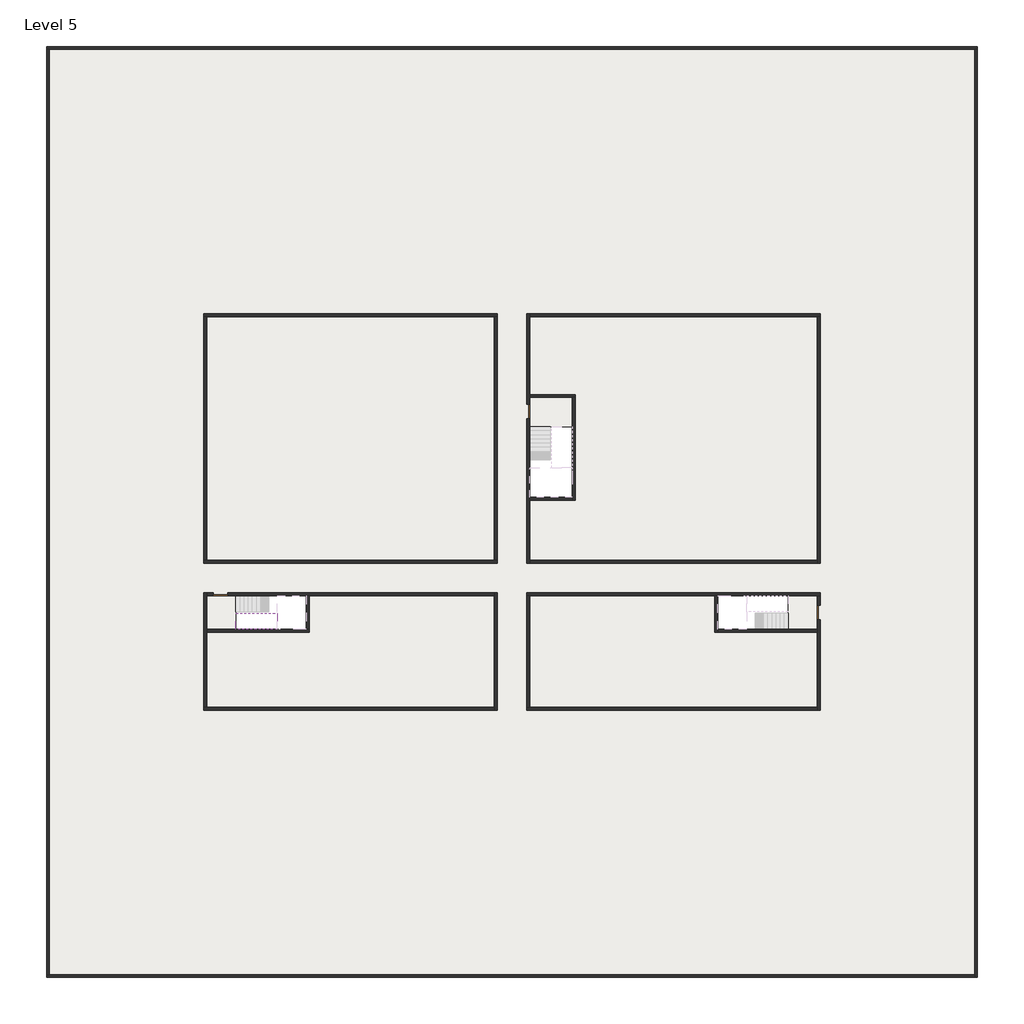
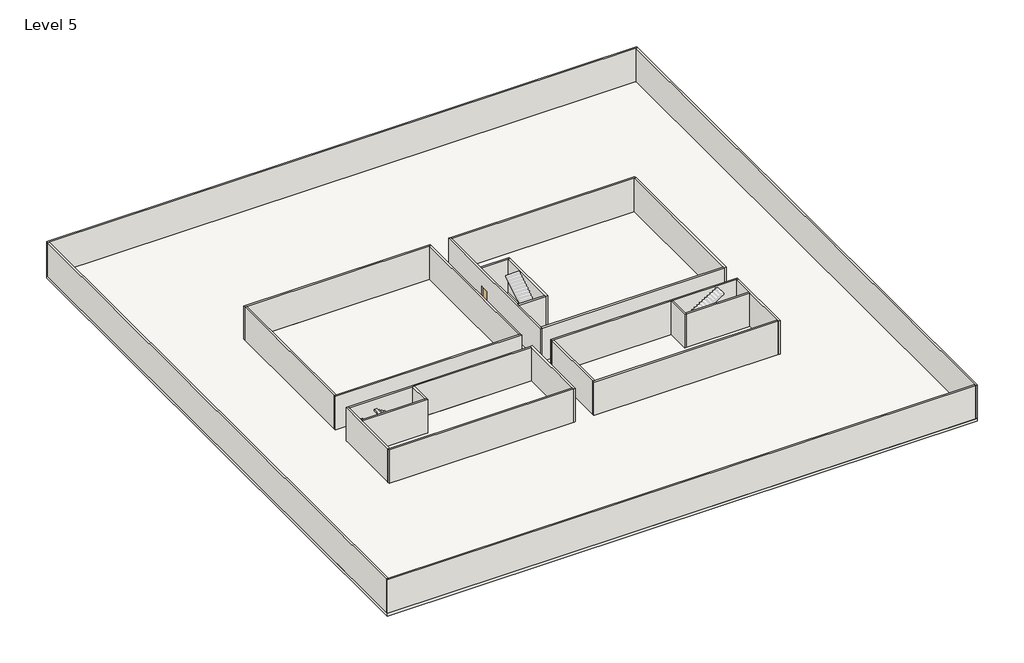
# One storey, part 1 of 2: 27 walls, 3 doors, 3 slabs, 1 stair flight.
"""IFC4 building model written with IfcOpenShell, lengths in millimetres."""

import ifcopenshell
import ifcopenshell.guid

model = None  # the IFC model being written
_history = None  # IfcOwnerHistory: only IFC2X3 demands one
_inside = {}  # id of a spatial element -> (the spatial element, [elements in it])
_under = {}  # id of a project, library or spatial element -> (it, [spatial elements below it])
_declared = {}  # id of a project -> (the project, [libraries it declares])
_typed = {}  # id of a type object -> (the type object, [elements of that type])
_made_of = {}  # id of a material, layer set ... -> (it, [elements and type objects made of it])


def new_model(schema):
    """Start an empty IFC model of exactly this schema.

    Asked for "IFC4X3", IfcOpenShell would pick the latest addendum, in which some entities
    have other attributes; the version numbers below select the first issue.
    IFC2X3 requires an IfcOwnerHistory on every rooted entity: one is made here for all.
    """
    global model, _history
    if schema == "IFC4X3":
        model = ifcopenshell.file(schema_version=(4, 3, 0, 0))
    else:
        model = ifcopenshell.file(schema=schema)
    _inside.clear()
    _under.clear()
    _declared.clear()
    _typed.clear()
    _made_of.clear()
    _history = None
    if model.schema == "IFC2X3":
        org = make("IfcOrganization", Name="unknown")
        user = make(
            "IfcPersonAndOrganization",
            ThePerson=make("IfcPerson", FamilyName="unknown"),
            TheOrganization=org,
        )
        app = make(
            "IfcApplication",
            ApplicationDeveloper=org,
            Version="unknown",
            ApplicationFullName="unknown",
            ApplicationIdentifier="unknown",
        )
        _history = make(
            "IfcOwnerHistory",
            OwningUser=user,
            OwningApplication=app,
            ChangeAction="ADDED",
            CreationDate=0,
        )
    return model


def make(cls, **values):
    """One entity of the class cls with the attributes given. An attribute that is None is left unset."""
    return model.create_entity(
        cls, **{name: value for name, value in values.items() if value is not None}
    )


def rooted(cls, **values):
    """An entity with a GlobalId (a new one), such as an element, a storey or a relation."""
    return make(cls, GlobalId=ifcopenshell.guid.new(), OwnerHistory=_history, **values)


def si_unit(unit_type, name, prefix=None):
    """IfcSIUnit, for example si_unit("LENGTHUNIT", "METRE", prefix="MILLI")."""
    return make("IfcSIUnit", UnitType=unit_type, Prefix=prefix, Name=name)


def assignment(units):
    """IfcUnitAssignment: the units of a project."""
    return None if units is None else make("IfcUnitAssignment", Units=units)


def point(xyz):
    """IfcCartesianPoint."""
    return None if xyz is None else make("IfcCartesianPoint", Coordinates=xyz)


def direction(xyz):
    """IfcDirection."""
    return None if xyz is None else make("IfcDirection", DirectionRatios=xyz)


def frame(location, z_axis=None, x_axis=None):
    """IfcAxis2Placement3D, a coordinate frame: its origin and axes. An axis left out is left unset."""
    return make(
        "IfcAxis2Placement3D",
        Location=point(location),
        Axis=direction(z_axis),
        RefDirection=direction(x_axis),
    )


def origin():
    """The frame at (0, 0, 0) with its axes left unset."""
    return frame((0.0, 0.0, 0.0))


def origin_with_axes():
    """The frame at (0, 0, 0) with the z axis (0, 0, 1) and the x axis (1, 0, 0) written out."""
    return frame((0.0, 0.0, 0.0), z_axis=(0.0, 0.0, 1.0), x_axis=(1.0, 0.0, 0.0))


def place(relative_to, where):
    """IfcLocalPlacement: puts the frame where relative to a parent placement (None: the world)."""
    return make(
        "IfcLocalPlacement", PlacementRelTo=relative_to, RelativePlacement=where
    )


def context(
    kind, dimensions, precision=None, world=None, true_north=None, identifier=None
):
    """IfcGeometricRepresentationContext, for example the 3D "Model" context."""
    return make(
        "IfcGeometricRepresentationContext",
        ContextIdentifier=identifier,
        ContextType=kind,
        CoordinateSpaceDimension=dimensions,
        Precision=precision,
        WorldCoordinateSystem=world,
        TrueNorth=true_north,
    )


def project(units=None, contexts=None):
    """IfcProject with its units and contexts."""
    return rooted(
        "IfcProject",
        Name="project",
        RepresentationContexts=contexts,
        UnitsInContext=assignment(units),
    )


def spatial(cls, under=None, at=None, **own):
    """A site, building, storey or space (cls), placed at a placement, below another one or the project."""
    s = rooted(cls, ObjectPlacement=at, **own)
    if under is not None:
        _under.setdefault(under.id(), (under, []))[1].append(s)
    return s


def polyline(points):
    """IfcPolyline through the points."""
    return make("IfcPolyline", Points=[point(p) for p in points])


def outline(outer, holes=None, kind="AREA"):
    """IfcArbitraryClosedProfileDef: a profile drawn as a closed curve; with holes, ...WithVoids."""
    if holes is None:
        return make("IfcArbitraryClosedProfileDef", ProfileType=kind, OuterCurve=outer)
    return make(
        "IfcArbitraryProfileDefWithVoids",
        ProfileType=kind,
        OuterCurve=outer,
        InnerCurves=holes,
    )


def extrude(swept, where, along, depth):
    """IfcExtrudedAreaSolid: the profile swept, set in the frame where, extruded along a direction by depth."""
    return make(
        "IfcExtrudedAreaSolid",
        SweptArea=swept,
        Position=where,
        ExtrudedDirection=direction(along),
        Depth=depth,
    )


def faces_of(points, faces, orient=None, outer=None):
    """IfcFace entities. A face is a list of loops; a loop is a list of indices into points, from 0.

    orient and outer hold one flag for each loop. By default every Orientation is true, the
    first loop of a face is its IfcFaceOuterBound and the others are IfcFaceBound.
    """
    made = []
    for i, loops in enumerate(faces):
        bounds = []
        for j, loop in enumerate(loops):
            is_outer = j == 0 if outer is None else outer[i][j]
            bounds.append(
                make(
                    "IfcFaceOuterBound" if is_outer else "IfcFaceBound",
                    Bound=make("IfcPolyLoop", Polygon=[points[k] for k in loop]),
                    Orientation=True if orient is None else orient[i][j],
                )
            )
        made.append(make("IfcFace", Bounds=bounds))
    return made


def faceted_brep(points, faces, orient=None, outer=None, voids=None):
    """IfcFacetedBrep: a solid bounded by flat faces; with voids (closed shells), ...WithVoids."""
    shared = [point(p) for p in points]
    hull = make("IfcClosedShell", CfsFaces=faces_of(shared, faces, orient, outer))
    if voids is None:
        return make("IfcFacetedBrep", Outer=hull)
    return make(
        "IfcFacetedBrepWithVoids",
        Outer=hull,
        Voids=[
            make(cls, CfsFaces=faces_of(shared, fs, o, b)) for cls, fs, o, b in voids
        ],
    )


def shape(context_of_items, identifier, shape_type, items):
    """IfcShapeRepresentation: the items that make up one representation, for example the "Body"."""
    return make(
        "IfcShapeRepresentation",
        ContextOfItems=context_of_items,
        RepresentationIdentifier=identifier,
        RepresentationType=shape_type,
        Items=items,
    )


def source(mapping_origin, context_of_items, identifier, shape_type, items):
    """IfcRepresentationMap: a shape defined once, which mapped items show again and again."""
    return make(
        "IfcRepresentationMap",
        MappingOrigin=mapping_origin,
        MappedRepresentation=shape(context_of_items, identifier, shape_type, items),
    )


def transform(
    local_origin,
    x_axis=None,
    y_axis=None,
    z_axis=None,
    scale=None,
    scale2=None,
    scale3=None,
    uniform=True,
):
    """IfcCartesianTransformationOperator3D, or its non-uniform kind. x_axis, y_axis, z_axis: its Axis1, 2, 3."""
    if uniform:
        return make(
            "IfcCartesianTransformationOperator3D",
            Axis1=direction(x_axis),
            Axis2=direction(y_axis),
            LocalOrigin=point(local_origin),
            Scale=scale,
            Axis3=direction(z_axis),
        )
    return make(
        "IfcCartesianTransformationOperator3DnonUniform",
        Axis1=direction(x_axis),
        Axis2=direction(y_axis),
        LocalOrigin=point(local_origin),
        Scale=scale,
        Axis3=direction(z_axis),
        Scale2=scale2,
        Scale3=scale3,
    )


def mapped(mapping_source, mapping_target):
    """IfcMappedItem: shows the shape of a source again, moved by a transform."""
    return make(
        "IfcMappedItem", MappingSource=mapping_source, MappingTarget=mapping_target
    )


def made_of(thing, what):
    """Note that an element or type object is made of a material, layer set ...; save() writes the relation."""
    if what is not None:
        _made_of.setdefault(what.id(), (what, []))[1].append(thing)
    return thing


def element(
    cls,
    number,
    at=None,
    inside=None,
    cuts=None,
    type_object=None,
    material=None,
    context=None,
    identifier="Body",
    shape_type=None,
    held_by="IfcProductDefinitionShape",
    body=None,
    shapes=None,
    **own,
):
    """One element of the class cls, such as IfcWall. Its Tag is "e" and its number.

    at: its placement. inside: the storey or other place that contains it. cuts: it is an
    opening in that element (IfcRelVoidsElement). A single representation is given by context,
    identifier, shape_type and body (its items); several are given by shapes. held_by: the class
    of the entity that holds the representations. save() writes the other relations.
    """
    e = rooted(cls, Tag="e%d" % number, ObjectPlacement=at, **own)
    if body is not None:
        shapes = [shape(context, identifier, shape_type, body)]
    if shapes is not None:
        e.Representation = make(held_by, Representations=shapes)
    if inside is not None:
        _inside.setdefault(inside.id(), (inside, []))[1].append(e)
    if cuts is not None:
        rooted(
            "IfcRelVoidsElement", RelatingBuildingElement=cuts, RelatedOpeningElement=e
        )
    if type_object is not None:
        _typed.setdefault(type_object.id(), (type_object, []))[1].append(e)
    return made_of(e, material)


def aggregate(whole, parts):
    """IfcRelAggregates: a whole, such as a stair, and the parts it consists of."""
    return rooted("IfcRelAggregates", RelatingObject=whole, RelatedObjects=parts)


def save(model, path):
    """Write the relations noted so far, then the file.

    IfcRelAggregates (storeys below a building ...), IfcRelContainedInSpatialStructure (elements
    in a storey), IfcRelDefinesByType, IfcRelAssociatesMaterial and IfcRelDeclares: one each for
    every whole, place, type object, material and project.
    """
    for whole, parts in _under.values():
        aggregate(whole, parts)
    for where, things in _inside.values():
        rooted(
            "IfcRelContainedInSpatialStructure",
            RelatedElements=things,
            RelatingStructure=where,
        )
    for kind, things in _typed.values():
        rooted("IfcRelDefinesByType", RelatedObjects=things, RelatingType=kind)
    for what, things in _made_of.values():
        rooted("IfcRelAssociatesMaterial", RelatedObjects=things, RelatingMaterial=what)
    for by, libraries in _declared.values():
        rooted("IfcRelDeclares", RelatingContext=by, RelatedDefinitions=libraries)
    model.write(path)


def door_fb3c37fd(model_context):
    return source(origin(), model_context, "Body", "SweptSolid", [
        extrude(outline(polyline([(500.0, 49.0), (-500.0, 49.0), (-500.0, 100.0), (500.0, 100.0), (500.0, 49.0)])), origin_with_axes(), (0.0, 0.0, 1.0), 2100.0),
    ])


def door_0317a72c(model_context):
    return source(origin(), model_context, "Body", "SweptSolid", [
        extrude(outline(polyline([(500.0, -49.0), (500.0, -100.0), (-500.0, -100.0), (-500.0, -49.0), (500.0, -49.0)])), origin_with_axes(), (0.0, 0.0, 1.0), 2100.0),
    ])


model = new_model("IFC4")

# Units and contexts
model_context = context("Model", 3, world=origin())
ifc_project = project(units=[si_unit("LENGTHUNIT", "METRE", prefix="MILLI")], contexts=[model_context])

# Site, building, storey
site = spatial("IfcSite", under=ifc_project)
building = spatial("IfcBuilding", under=site)
storey = spatial("IfcBuildingStorey", under=building, Name="Level 5", Elevation=15200.0)

# Doors
placement = place(None, origin())
door_shape = door_fb3c37fd(model_context)
element("IfcDoor", 1, at=placement, inside=storey, context=model_context, shape_type="MappedRepresentation", body=[
    mapped(door_shape, transform((4340.1058784, -42818.09644, 15200.0), x_axis=(-1.0, 0.0, 0.0), y_axis=(0.0, -1.0, 0.0), z_axis=(0.0, 0.0, 1.0))),
])
element("IfcDoor", 2, at=placement, inside=storey, context=model_context, shape_type="MappedRepresentation", body=[
    mapped(door_shape, transform((45090.1058784, -44068.09644, 15200.0), x_axis=(0.0, 1.0, 0.0), y_axis=(-1.0, 0.0, 0.0), z_axis=(0.0, 0.0, 1.0))),
])
door_2_shape = door_0317a72c(model_context)
element("IfcDoor", 3, at=placement, inside=storey, context=model_context, shape_type="MappedRepresentation", body=[
    mapped(door_2_shape, transform((25290.1058784, -30368.09644, 15200.0), x_axis=(0.0, 1.0, 0.0), y_axis=(-1.0, 0.0, 0.0), z_axis=(0.0, 0.0, 1.0))),
])

# Slabs
element("IfcSlab", 4, at=placement, inside=storey, context=model_context, shape_type="SweptSolid", body=[
    extrude(outline(polyline([(55890.1058784, -5518.09644), (55890.1058784, -68918.09644), (-7509.8941216, -68918.09644), (-7509.8941216, -5518.09644), (55890.1058784, -5518.09644)]), holes=[polyline([(22990.1058784, -23918.09644), (3390.1058784, -23918.09644), (3390.1058784, -40518.09644), (22990.1058784, -40518.09644), (22990.1058784, -23918.09644)]), polyline([(44990.1058784, -23918.09644), (25390.1058784, -23918.09644), (25390.1058784, -40518.09644), (44990.1058784, -40518.09644), (44990.1058784, -23918.09644)]), polyline([(44990.1058784, -42918.09644), (25390.1058784, -42918.09644), (25390.1058784, -50518.09644), (44990.1058784, -50518.09644), (44990.1058784, -42918.09644)]), polyline([(22990.1058784, -42918.09644), (3390.1058784, -42918.09644), (3390.1058784, -50518.09644), (22990.1058784, -50518.09644), (22990.1058784, -42918.09644)])]), frame((0.0, 0.0, 14900.0), z_axis=(0.0, 0.0, 1.0), x_axis=(1.0, 0.0, 0.0)), (0.0, 0.0, 1.0), 300.0),
])
element("IfcSlab", 5, at=placement, inside=storey, context=model_context, shape_type="SweptSolid", body=[
    extrude(outline(polyline([(22990.1058784, -23918.09644), (22990.1058784, -40518.09644), (3390.1058784, -40518.09644), (3390.1058784, -23918.09644), (22990.1058784, -23918.09644)])), frame((0.0, 0.0, 14900.0), z_axis=(0.0, 0.0, 1.0), x_axis=(1.0, 0.0, 0.0)), (0.0, 0.0, 1.0), 300.0),
    extrude(outline(polyline([(44990.1058784, -23918.09644), (44990.1058784, -40518.09644), (25390.1058784, -40518.09644), (25390.1058784, -36418.09644), (28490.1058784, -36418.09644), (28490.1058784, -29218.09644), (25390.1058784, -29218.09644), (25390.1058784, -23918.09644), (44990.1058784, -23918.09644)])), frame((0.0, 0.0, 14900.0), z_axis=(0.0, 0.0, 1.0), x_axis=(1.0, 0.0, 0.0)), (0.0, 0.0, 1.0), 300.0),
    extrude(outline(polyline([(22990.1058784, -42918.09644), (22990.1058784, -50518.09644), (3390.1058784, -50518.09644), (3390.1058784, -45418.09644), (10390.1058784, -45418.09644), (10390.1058784, -42918.09644), (22990.1058784, -42918.09644)])), frame((0.0, 0.0, 14900.0), z_axis=(0.0, 0.0, 1.0), x_axis=(1.0, 0.0, 0.0)), (0.0, 0.0, 1.0), 300.0),
    extrude(outline(polyline([(37990.1058784, -42918.09644), (37990.1058784, -45418.09644), (44990.1058784, -45418.09644), (44990.1058784, -50518.09644), (25390.1058784, -50518.09644), (25390.1058784, -42918.09644), (37990.1058784, -42918.09644)])), frame((0.0, 0.0, 14900.0), z_axis=(0.0, 0.0, 1.0), x_axis=(1.0, 0.0, 0.0)), (0.0, 0.0, 1.0), 300.0),
])
element("IfcSlab", 6, at=placement, inside=storey, context=model_context, shape_type="SweptSolid", body=[
    extrude(outline(polyline([(44990.1058784, -42918.09644), (44990.1058784, -45218.09644), (42990.1058784, -45218.09644), (42990.1058784, -42918.09644), (44990.1058784, -42918.09644)])), frame((0.0, 0.0, 14900.0), z_axis=(0.0, 0.0, 1.0), x_axis=(1.0, 0.0, 0.0)), (0.0, 0.0, 1.0), 300.0),
    extrude(outline(polyline([(5390.1058784, -42918.09644), (5390.1058784, -45218.09644), (3390.1058784, -45218.09644), (3390.1058784, -42918.09644), (5390.1058784, -42918.09644)])), frame((0.0, 0.0, 14900.0), z_axis=(0.0, 0.0, 1.0), x_axis=(1.0, 0.0, 0.0)), (0.0, 0.0, 1.0), 300.0),
    extrude(outline(polyline([(28290.1058784, -29418.09644), (28290.1058784, -31418.09644), (25390.1058784, -31418.09644), (25390.1058784, -29418.09644), (28290.1058784, -29418.09644)])), frame((0.0, 0.0, 14900.0), z_axis=(0.0, 0.0, 1.0), x_axis=(1.0, 0.0, 0.0)), (0.0, 0.0, 1.0), 300.0),
])

# Stair flight
element("IfcStairFlight", 7, at=placement, inside=storey, context=model_context, shape_type="Brep", body=[
    faceted_brep([(7910.1058784, -45218.09644, 17272.7272727), (8190.1058784, -45218.09644, 17272.7272727), (8190.1058784, -44118.09644, 17272.7272727), (7910.1058784, -44118.09644, 17272.7272727), (7910.1058784, -45218.09644, 17096.4823932), (8190.1058784, -45218.09644, 16923.7551205), (8190.1058784, -45218.09644, 17100.0), (8190.1058784, -44118.09644, 16923.7551205), (7910.1058784, -44118.09644, 17096.4823932), (7630.1058784, -45218.09644, 17445.4545455), (7910.1058784, -45218.09644, 17445.4545455), (7910.1058784, -44118.09644, 17445.4545455), (7630.1058784, -44118.09644, 17445.4545455), (7630.1058784, -45218.09644, 17269.209666), (7630.1058784, -44118.09644, 17269.209666), (7350.1058784, -45218.09644, 17618.1818182), (7630.1058784, -45218.09644, 17618.1818182), (7630.1058784, -44118.09644, 17618.1818182), (7350.1058784, -44118.09644, 17618.1818182), (7350.1058784, -45218.09644, 17441.9369387), (7350.1058784, -44118.09644, 17441.9369387), (7070.1058784, -45218.09644, 17790.9090909), (7350.1058784, -45218.09644, 17790.9090909), (7350.1058784, -44118.09644, 17790.9090909), (7070.1058784, -44118.09644, 17790.9090909), (7070.1058784, -45218.09644, 17614.6642114), (7070.1058784, -44118.09644, 17614.6642114), (6790.1058784, -45218.09644, 17963.6363636), (7070.1058784, -45218.09644, 17963.6363636), (7070.1058784, -44118.09644, 17963.6363636), (6790.1058784, -44118.09644, 17963.6363636), (6790.1058784, -45218.09644, 17787.3914841), (6790.1058784, -44118.09644, 17787.3914841), (6510.1058784, -45218.09644, 18136.3636364), (6790.1058784, -45218.09644, 18136.3636364), (6790.1058784, -44118.09644, 18136.3636364), (6510.1058784, -44118.09644, 18136.3636364), (6510.1058784, -45218.09644, 17960.1187569), (6510.1058784, -44118.09644, 17960.1187569), (6230.1058784, -45218.09644, 18309.0909091), (6510.1058784, -45218.09644, 18309.0909091), (6510.1058784, -44118.09644, 18309.0909091), (6230.1058784, -44118.09644, 18309.0909091), (6230.1058784, -45218.09644, 18132.8460296), (6230.1058784, -44118.09644, 18132.8460296), (5950.1058784, -45218.09644, 18481.8181818), (6230.1058784, -45218.09644, 18481.8181818), (6230.1058784, -44118.09644, 18481.8181818), (5950.1058784, -44118.09644, 18481.8181818), (5950.1058784, -45218.09644, 18305.5733023), (5950.1058784, -44118.09644, 18305.5733023), (5670.1058784, -45218.09644, 18654.5454545), (5950.1058784, -45218.09644, 18654.5454545), (5950.1058784, -44118.09644, 18654.5454545), (5670.1058784, -44118.09644, 18654.5454545), (5670.1058784, -45218.09644, 18478.3005751), (5670.1058784, -44118.09644, 18478.3005751), (5390.1058784, -45218.09644, 18827.2727273), (5670.1058784, -45218.09644, 18827.2727273), (5670.1058784, -44118.09644, 18827.2727273), (5390.1058784, -44118.09644, 18827.2727273), (5390.1058784, -45218.09644, 18651.0278478), (5390.1058784, -44118.09644, 18651.0278478)], [[[0, 1, 2, 3]], [[1, 0, 4, 5, 6]], [[2, 1, 6, 5, 7]], [[3, 2, 7, 8]], [[9, 10, 11, 12]], [[10, 9, 13, 4, 0]], [[11, 10, 0, 3]], [[12, 11, 3, 8, 14]], [[15, 16, 17, 18]], [[16, 15, 19, 13, 9]], [[17, 16, 9, 12]], [[18, 17, 12, 14, 20]], [[21, 22, 23, 24]], [[22, 21, 25, 19, 15]], [[23, 22, 15, 18]], [[24, 23, 18, 20, 26]], [[27, 28, 29, 30]], [[28, 27, 31, 25, 21]], [[29, 28, 21, 24]], [[30, 29, 24, 26, 32]], [[33, 34, 35, 36]], [[34, 33, 37, 31, 27]], [[35, 34, 27, 30]], [[36, 35, 30, 32, 38]], [[39, 40, 41, 42]], [[40, 39, 43, 37, 33]], [[41, 40, 33, 36]], [[42, 41, 36, 38, 44]], [[45, 46, 47, 48]], [[46, 45, 49, 43, 39]], [[47, 46, 39, 42]], [[48, 47, 42, 44, 50]], [[51, 52, 53, 54]], [[52, 51, 55, 49, 45]], [[53, 52, 45, 48]], [[54, 53, 48, 50, 56]], [[57, 58, 59, 60]], [[58, 57, 61, 55, 51]], [[59, 58, 51, 54]], [[60, 59, 54, 56, 62]], [[57, 60, 62, 61]], [[5, 4, 13, 19, 25, 31, 37, 43, 49, 55, 61, 62, 56, 50, 44, 38, 32, 26, 20, 14, 8, 7]]]),
])

# Walls
element("IfcWall", 8, at=placement, inside=storey, context=model_context, shape_type="Brep", body=[
    faceted_brep([(-7509.8941216, -5718.09644, 15200.0), (-7309.8941216, -5718.09644, 15200.0), (55690.1058784, -5718.09644, 15200.0), (55890.1058784, -5718.09644, 15200.0), (55890.1058784, -5718.09644, 19000.0), (55690.1058784, -5718.09644, 19000.0), (-7309.8941216, -5718.09644, 19000.0), (-7509.8941216, -5718.09644, 19000.0), (-7509.8941216, -5518.09644, 15200.0), (-7509.8941216, -5518.09644, 19000.0), (55890.1058784, -5518.09644, 19000.0), (55890.1058784, -5518.09644, 15200.0)], [[[0, 1, 2, 3, 4, 5, 6, 7]], [[8, 9, 10, 11]], [[3, 2, 1, 0, 8, 11]], [[7, 6, 5, 4, 10, 9]], [[4, 3, 11, 10]], [[0, 7, 9, 8]]]),
])
element("IfcWall", 9, at=placement, inside=storey, context=model_context, shape_type="Brep", body=[
    faceted_brep([(55690.1058784, -5718.09644, 15200.0), (55690.1058784, -68718.09644, 15200.0), (55690.1058784, -68918.09644, 15200.0), (55690.1058784, -68918.09644, 19000.0), (55690.1058784, -68718.09644, 19000.0), (55690.1058784, -5718.09644, 19000.0), (55890.1058784, -5718.09644, 15200.0), (55890.1058784, -5718.09644, 19000.0), (55890.1058784, -68918.09644, 19000.0), (55890.1058784, -68918.09644, 15200.0)], [[[0, 1, 2, 3, 4, 5]], [[6, 7, 8, 9]], [[2, 1, 0, 6, 9]], [[5, 4, 3, 8, 7]], [[0, 5, 7, 6]], [[3, 2, 9, 8]]]),
])
element("IfcWall", 10, at=placement, inside=storey, context=model_context, shape_type="Brep", body=[
    faceted_brep([(55690.1058784, -68718.09644, 15200.0), (-7309.8941216, -68718.09644, 15200.0), (-7509.8941216, -68718.09644, 15200.0), (-7509.8941216, -68718.09644, 19000.0), (-7309.8941216, -68718.09644, 19000.0), (55690.1058784, -68718.09644, 19000.0), (55690.1058784, -68918.09644, 15200.0), (55690.1058784, -68918.09644, 19000.0), (-7509.8941216, -68918.09644, 19000.0), (-7509.8941216, -68918.09644, 15200.0)], [[[0, 1, 2, 3, 4, 5]], [[6, 7, 8, 9]], [[2, 1, 0, 6, 9]], [[5, 4, 3, 8, 7]], [[0, 5, 7, 6]], [[3, 2, 9, 8]]]),
])
element("IfcWall", 11, at=placement, inside=storey, context=model_context, shape_type="SweptSolid", body=[
    extrude(outline(polyline([(-7309.8941216, -5718.09644), (-7309.8941216, -68718.09644), (-7509.8941216, -68718.09644), (-7509.8941216, -5718.09644), (-7309.8941216, -5718.09644)])), frame((0.0, 0.0, 15200.0), z_axis=(0.0, 0.0, 1.0), x_axis=(1.0, 0.0, 0.0)), (0.0, 0.0, 1.0), 3800.0),
])
element("IfcWall", 12, at=placement, inside=storey, context=model_context, shape_type="Brep", body=[
    faceted_brep([(3190.1058784, -23918.09644, 15200.0), (3390.1058784, -23918.09644, 15200.0), (22990.1058784, -23918.09644, 15200.0), (23190.1058784, -23918.09644, 15200.0), (23190.1058784, -23918.09644, 19000.0), (22990.1058784, -23918.09644, 19000.0), (3390.1058784, -23918.09644, 19000.0), (3190.1058784, -23918.09644, 19000.0), (3190.1058784, -23718.09644, 15200.0), (3190.1058784, -23718.09644, 19000.0), (23190.1058784, -23718.09644, 19000.0), (23190.1058784, -23718.09644, 15200.0)], [[[0, 1, 2, 3, 4, 5, 6, 7]], [[8, 9, 10, 11]], [[3, 2, 1, 0, 8, 11]], [[7, 6, 5, 4, 10, 9]], [[0, 7, 9, 8]], [[4, 3, 11, 10]]]),
])
element("IfcWall", 13, at=placement, inside=storey, context=model_context, shape_type="Brep", body=[
    faceted_brep([(44990.1058784, -23918.09644, 15200.0), (44990.1058784, -40518.09644, 15200.0), (44990.1058784, -40718.09644, 15200.0), (44990.1058784, -40718.09644, 19000.0), (44990.1058784, -40518.09644, 19000.0), (44990.1058784, -23918.09644, 19000.0), (45190.1058784, -23918.09644, 15200.0), (45190.1058784, -23918.09644, 19000.0), (45190.1058784, -40718.09644, 19000.0), (45190.1058784, -40718.09644, 15200.0)], [[[0, 1, 2, 3, 4, 5]], [[6, 7, 8, 9]], [[2, 1, 0, 6, 9]], [[5, 4, 3, 8, 7]], [[0, 5, 7, 6]], [[3, 2, 9, 8]]]),
])
element("IfcWall", 14, at=placement, inside=storey, context=model_context, shape_type="Brep", body=[
    faceted_brep([(44990.1058784, -50518.09644, 15200.0), (25390.1058784, -50518.09644, 15200.0), (25190.1058784, -50518.09644, 15200.0), (25190.1058784, -50518.09644, 19000.0), (25390.1058784, -50518.09644, 19000.0), (44990.1058784, -50518.09644, 19000.0), (44990.1058784, -50718.09644, 15200.0), (44990.1058784, -50718.09644, 19000.0), (25190.1058784, -50718.09644, 19000.0), (25190.1058784, -50718.09644, 15200.0)], [[[0, 1, 2, 3, 4, 5]], [[6, 7, 8, 9]], [[2, 1, 0, 6, 9]], [[5, 4, 3, 8, 7]], [[3, 2, 9, 8]], [[0, 5, 7, 6]]]),
])
element("IfcWall", 15, at=placement, inside=storey, context=model_context, shape_type="Brep", body=[
    faceted_brep([(3390.1058784, -50518.09644, 15200.0), (3390.1058784, -45418.09644, 15200.0), (3390.1058784, -45218.09644, 15200.0), (3390.1058784, -42918.09644, 15200.0), (3390.1058784, -42718.09644, 15200.0), (3390.1058784, -42718.09644, 19000.0), (3390.1058784, -42918.09644, 19000.0), (3390.1058784, -45218.09644, 19000.0), (3390.1058784, -45418.09644, 19000.0), (3390.1058784, -50518.09644, 19000.0), (3190.1058784, -50518.09644, 15200.0), (3190.1058784, -50518.09644, 19000.0), (3190.1058784, -42718.09644, 19000.0), (3190.1058784, -42718.09644, 15200.0)], [[[0, 1, 2, 3, 4, 5, 6, 7, 8, 9]], [[10, 11, 12, 13]], [[4, 3, 2, 1, 0, 10, 13]], [[9, 8, 7, 6, 5, 12, 11]], [[0, 9, 11, 10]], [[5, 4, 13, 12]]]),
])
element("IfcWall", 16, at=placement, inside=storey, context=model_context, shape_type="SweptSolid", body=[
    extrude(outline(polyline([(22990.1058784, -40518.09644), (22990.1058784, -23918.09644), (23190.1058784, -23918.09644), (23190.1058784, -40518.09644), (22990.1058784, -40518.09644)])), frame((0.0, 0.0, 15200.0), z_axis=(0.0, 0.0, 1.0), x_axis=(1.0, 0.0, 0.0)), (0.0, 0.0, 1.0), 3800.0),
])
element("IfcWall", 17, at=placement, inside=storey, context=model_context, shape_type="Brep", body=[
    faceted_brep([(23190.1058784, -40518.09644, 15200.0), (22990.1058784, -40518.09644, 15200.0), (3390.1058784, -40518.09644, 15200.0), (3190.1058784, -40518.09644, 15200.0), (3190.1058784, -40518.09644, 19000.0), (3390.1058784, -40518.09644, 19000.0), (22990.1058784, -40518.09644, 19000.0), (23190.1058784, -40518.09644, 19000.0), (23190.1058784, -40718.09644, 15200.0), (23190.1058784, -40718.09644, 19000.0), (3190.1058784, -40718.09644, 19000.0), (3190.1058784, -40718.09644, 15200.0)], [[[0, 1, 2, 3, 4, 5, 6, 7]], [[8, 9, 10, 11]], [[3, 2, 1, 0, 8, 11]], [[7, 6, 5, 4, 10, 9]], [[4, 3, 11, 10]], [[0, 7, 9, 8]]]),
])
element("IfcWall", 18, at=placement, inside=storey, context=model_context, shape_type="Brep", body=[
    faceted_brep([(3390.1058784, -42918.09644, 15200.0), (3840.1058784, -42918.09644, 15200.0), (3840.1058784, -42918.09644, 17300.0), (4840.1058784, -42918.09644, 17300.0), (4840.1058784, -42918.09644, 15200.0), (10190.1058784, -42918.09644, 15200.0), (10390.1058784, -42918.09644, 15200.0), (22990.1058784, -42918.09644, 15200.0), (22990.1058784, -42918.09644, 19000.0), (10390.1058784, -42918.09644, 19000.0), (10190.1058784, -42918.09644, 19000.0), (3390.1058784, -42918.09644, 19000.0), (3840.1058784, -42718.09644, 17300.0), (3840.1058784, -42718.09644, 15200.0), (3390.1058784, -42718.09644, 15200.0), (3390.1058784, -42718.09644, 19000.0), (22990.1058784, -42718.09644, 19000.0), (22990.1058784, -42718.09644, 15200.0), (4840.1058784, -42718.09644, 15200.0), (4840.1058784, -42718.09644, 17300.0)], [[[0, 1, 2, 3, 4, 5, 6, 7, 8, 9, 10, 11]], [[12, 13, 14, 15, 16, 17, 18, 19]], [[18, 17, 7, 6, 5, 4]], [[14, 13, 1, 0]], [[11, 10, 9, 8, 16, 15]], [[2, 1, 13, 12]], [[3, 2, 12, 19]], [[4, 3, 19, 18]], [[0, 11, 15, 14]], [[8, 7, 17, 16]]]),
])
element("IfcWall", 19, at=placement, inside=storey, context=model_context, shape_type="SweptSolid", body=[
    extrude(outline(polyline([(25390.1058784, -40518.09644), (44990.1058784, -40518.09644), (44990.1058784, -40718.09644), (25390.1058784, -40718.09644), (25390.1058784, -40518.09644)])), frame((0.0, 0.0, 15200.0), z_axis=(0.0, 0.0, 1.0), x_axis=(1.0, 0.0, 0.0)), (0.0, 0.0, 1.0), 3800.0),
])
element("IfcWall", 20, at=placement, inside=storey, context=model_context, shape_type="Brep", body=[
    faceted_brep([(25390.1058784, -29868.09644, 17300.0), (25390.1058784, -29868.09644, 15200.0), (25390.1058784, -29418.09644, 15200.0), (25390.1058784, -29218.09644, 15200.0), (25390.1058784, -23918.09644, 15200.0), (25390.1058784, -23718.09644, 15200.0), (25390.1058784, -23718.09644, 19000.0), (25390.1058784, -23918.09644, 19000.0), (25390.1058784, -29218.09644, 19000.0), (25390.1058784, -29418.09644, 19000.0), (25390.1058784, -36218.09644, 19000.0), (25390.1058784, -36418.09644, 19000.0), (25390.1058784, -40518.09644, 19000.0), (25390.1058784, -40718.09644, 19000.0), (25390.1058784, -40718.09644, 15200.0), (25390.1058784, -40518.09644, 15200.0), (25390.1058784, -36418.09644, 15200.0), (25390.1058784, -36218.09644, 15200.0), (25390.1058784, -30868.09644, 15200.0), (25390.1058784, -30868.09644, 17300.0), (25190.1058784, -23718.09644, 15200.0), (25190.1058784, -29868.09644, 15200.0), (25190.1058784, -29868.09644, 17300.0), (25190.1058784, -30868.09644, 17300.0), (25190.1058784, -30868.09644, 15200.0), (25190.1058784, -40718.09644, 15200.0), (25190.1058784, -40718.09644, 19000.0), (25190.1058784, -23718.09644, 19000.0)], [[[0, 1, 2, 3, 4, 5, 6, 7, 8, 9, 10, 11, 12, 13, 14, 15, 16, 17, 18, 19]], [[20, 21, 22, 23, 24, 25, 26, 27]], [[5, 4, 3, 2, 1, 21, 20]], [[18, 17, 16, 15, 14, 25, 24]], [[13, 12, 11, 10, 9, 8, 7, 6, 27, 26]], [[22, 21, 1, 0]], [[23, 22, 0, 19]], [[24, 23, 19, 18]], [[14, 13, 26, 25]], [[6, 5, 20, 27]]]),
])
element("IfcWall", 21, at=placement, inside=storey, context=model_context, shape_type="SweptSolid", body=[
    extrude(outline(polyline([(3390.1058784, -23918.09644), (3390.1058784, -40518.09644), (3190.1058784, -40518.09644), (3190.1058784, -23918.09644), (3390.1058784, -23918.09644)])), frame((0.0, 0.0, 15200.0), z_axis=(0.0, 0.0, 1.0), x_axis=(1.0, 0.0, 0.0)), (0.0, 0.0, 1.0), 3800.0),
])
element("IfcWall", 22, at=placement, inside=storey, context=model_context, shape_type="Brep", body=[
    faceted_brep([(25390.1058784, -23918.09644, 15200.0), (44990.1058784, -23918.09644, 15200.0), (45190.1058784, -23918.09644, 15200.0), (45190.1058784, -23918.09644, 19000.0), (44990.1058784, -23918.09644, 19000.0), (25390.1058784, -23918.09644, 19000.0), (25390.1058784, -23718.09644, 15200.0), (25390.1058784, -23718.09644, 19000.0), (45190.1058784, -23718.09644, 19000.0), (45190.1058784, -23718.09644, 15200.0)], [[[0, 1, 2, 3, 4, 5]], [[6, 7, 8, 9]], [[2, 1, 0, 6, 9]], [[5, 4, 3, 8, 7]], [[3, 2, 9, 8]], [[0, 5, 7, 6]]]),
])
element("IfcWall", 23, at=placement, inside=storey, context=model_context, shape_type="Brep", body=[
    faceted_brep([(44990.1058784, -42918.09644, 15200.0), (44990.1058784, -43568.09644, 15200.0), (44990.1058784, -43568.09644, 17300.0), (44990.1058784, -44568.09644, 17300.0), (44990.1058784, -44568.09644, 15200.0), (44990.1058784, -45218.09644, 15200.0), (44990.1058784, -45418.09644, 15200.0), (44990.1058784, -50518.09644, 15200.0), (44990.1058784, -50718.09644, 15200.0), (44990.1058784, -50718.09644, 19000.0), (44990.1058784, -50518.09644, 19000.0), (44990.1058784, -45418.09644, 19000.0), (44990.1058784, -45218.09644, 19000.0), (44990.1058784, -42918.09644, 19000.0), (45190.1058784, -43568.09644, 17300.0), (45190.1058784, -43568.09644, 15200.0), (45190.1058784, -42918.09644, 15200.0), (45190.1058784, -42918.09644, 19000.0), (45190.1058784, -50718.09644, 19000.0), (45190.1058784, -50718.09644, 15200.0), (45190.1058784, -44568.09644, 15200.0), (45190.1058784, -44568.09644, 17300.0)], [[[0, 1, 2, 3, 4, 5, 6, 7, 8, 9, 10, 11, 12, 13]], [[14, 15, 16, 17, 18, 19, 20, 21]], [[20, 19, 8, 7, 6, 5, 4]], [[16, 15, 1, 0]], [[13, 12, 11, 10, 9, 18, 17]], [[2, 1, 15, 14]], [[3, 2, 14, 21]], [[4, 3, 21, 20]], [[9, 8, 19, 18]], [[0, 13, 17, 16]]]),
])
element("IfcWall", 24, at=placement, inside=storey, context=model_context, shape_type="Brep", body=[
    faceted_brep([(25390.1058784, -29418.09644, 15200.0), (28290.1058784, -29418.09644, 15200.0), (28490.1058784, -29418.09644, 15200.0), (28490.1058784, -29418.09644, 19000.0), (28290.1058784, -29418.09644, 19000.0), (25390.1058784, -29418.09644, 19000.0), (25390.1058784, -29218.09644, 15200.0), (25390.1058784, -29218.09644, 19000.0), (28490.1058784, -29218.09644, 19000.0), (28490.1058784, -29218.09644, 15200.0)], [[[0, 1, 2, 3, 4, 5]], [[6, 7, 8, 9]], [[2, 1, 0, 6, 9]], [[5, 4, 3, 8, 7]], [[3, 2, 9, 8]], [[0, 5, 7, 6]]]),
])
element("IfcWall", 25, at=placement, inside=storey, context=model_context, shape_type="Brep", body=[
    faceted_brep([(28290.1058784, -29418.09644, 15200.0), (28290.1058784, -36218.09644, 15200.0), (28290.1058784, -36418.09644, 15200.0), (28290.1058784, -36418.09644, 19000.0), (28290.1058784, -36218.09644, 19000.0), (28290.1058784, -29418.09644, 19000.0), (28490.1058784, -29418.09644, 15200.0), (28490.1058784, -29418.09644, 19000.0), (28490.1058784, -36418.09644, 19000.0), (28490.1058784, -36418.09644, 15200.0)], [[[0, 1, 2, 3, 4, 5]], [[6, 7, 8, 9]], [[2, 1, 0, 6, 9]], [[5, 4, 3, 8, 7]], [[3, 2, 9, 8]], [[0, 5, 7, 6]]]),
])
element("IfcWall", 26, at=placement, inside=storey, context=model_context, shape_type="SweptSolid", body=[
    extrude(outline(polyline([(25390.1058784, -36218.09644), (28290.1058784, -36218.09644), (28290.1058784, -36418.09644), (25390.1058784, -36418.09644), (25390.1058784, -36218.09644)])), frame((0.0, 0.0, 15200.0), z_axis=(0.0, 0.0, 1.0), x_axis=(1.0, 0.0, 0.0)), (0.0, 0.0, 1.0), 3800.0),
])
element("IfcWall", 27, at=placement, inside=storey, context=model_context, shape_type="Brep", body=[
    faceted_brep([(3390.1058784, -45418.09644, 15200.0), (10390.1058784, -45418.09644, 15200.0), (10390.1058784, -45418.09644, 19000.0), (3390.1058784, -45418.09644, 19000.0), (3390.1058784, -45218.09644, 15200.0), (3390.1058784, -45218.09644, 19000.0), (10190.1058784, -45218.09644, 19000.0), (10390.1058784, -45218.09644, 19000.0), (10390.1058784, -45218.09644, 15200.0), (10190.1058784, -45218.09644, 15200.0)], [[[0, 1, 2, 3]], [[4, 5, 6, 7, 8, 9]], [[1, 0, 4, 9, 8]], [[3, 2, 7, 6, 5]], [[2, 1, 8, 7]], [[0, 3, 5, 4]]]),
])
element("IfcWall", 28, at=placement, inside=storey, context=model_context, shape_type="SweptSolid", body=[
    extrude(outline(polyline([(10390.1058784, -42918.09644), (10390.1058784, -45218.09644), (10190.1058784, -45218.09644), (10190.1058784, -42918.09644), (10390.1058784, -42918.09644)])), frame((0.0, 0.0, 15200.0), z_axis=(0.0, 0.0, 1.0), x_axis=(1.0, 0.0, 0.0)), (0.0, 0.0, 1.0), 3800.0),
])
element("IfcWall", 29, at=placement, inside=storey, context=model_context, shape_type="Brep", body=[
    faceted_brep([(37990.1058784, -42918.09644, 15200.0), (37990.1058784, -45418.09644, 15200.0), (37990.1058784, -45418.09644, 19000.0), (37990.1058784, -42918.09644, 19000.0), (38190.1058784, -42918.09644, 15200.0), (38190.1058784, -42918.09644, 19000.0), (38190.1058784, -45218.09644, 19000.0), (38190.1058784, -45418.09644, 19000.0), (38190.1058784, -45418.09644, 15200.0), (38190.1058784, -45218.09644, 15200.0)], [[[0, 1, 2, 3]], [[4, 5, 6, 7, 8, 9]], [[1, 0, 4, 9, 8]], [[3, 2, 7, 6, 5]], [[2, 1, 8, 7]], [[0, 3, 5, 4]]]),
])
element("IfcWall", 30, at=placement, inside=storey, context=model_context, shape_type="SweptSolid", body=[
    extrude(outline(polyline([(44990.1058784, -45418.09644), (38190.1058784, -45418.09644), (38190.1058784, -45218.09644), (44990.1058784, -45218.09644), (44990.1058784, -45418.09644)])), frame((0.0, 0.0, 15200.0), z_axis=(0.0, 0.0, 1.0), x_axis=(1.0, 0.0, 0.0)), (0.0, 0.0, 1.0), 3800.0),
])
element("IfcWall", 31, at=placement, inside=storey, context=model_context, shape_type="SweptSolid", body=[
    extrude(outline(polyline([(25190.1058784, -50518.09644), (25190.1058784, -42918.09644), (25390.1058784, -42918.09644), (25390.1058784, -50518.09644), (25190.1058784, -50518.09644)])), frame((0.0, 0.0, 15200.0), z_axis=(0.0, 0.0, 1.0), x_axis=(1.0, 0.0, 0.0)), (0.0, 0.0, 1.0), 3800.0),
])
element("IfcWall", 32, at=placement, inside=storey, context=model_context, shape_type="Brep", body=[
    faceted_brep([(22990.1058784, -42718.09644, 15200.0), (22990.1058784, -42918.09644, 15200.0), (22990.1058784, -50518.09644, 15200.0), (22990.1058784, -50718.09644, 15200.0), (22990.1058784, -50718.09644, 19000.0), (22990.1058784, -50518.09644, 19000.0), (22990.1058784, -42918.09644, 19000.0), (22990.1058784, -42718.09644, 19000.0), (23190.1058784, -42718.09644, 15200.0), (23190.1058784, -42718.09644, 19000.0), (23190.1058784, -50718.09644, 19000.0), (23190.1058784, -50718.09644, 15200.0)], [[[0, 1, 2, 3, 4, 5, 6, 7]], [[8, 9, 10, 11]], [[3, 2, 1, 0, 8, 11]], [[7, 6, 5, 4, 10, 9]], [[4, 3, 11, 10]], [[0, 7, 9, 8]]]),
])
element("IfcWall", 33, at=placement, inside=storey, context=model_context, shape_type="Brep", body=[
    faceted_brep([(25190.1058784, -42918.09644, 15200.0), (25390.1058784, -42918.09644, 15200.0), (37990.1058784, -42918.09644, 15200.0), (38190.1058784, -42918.09644, 15200.0), (44990.1058784, -42918.09644, 15200.0), (45190.1058784, -42918.09644, 15200.0), (45190.1058784, -42918.09644, 19000.0), (44990.1058784, -42918.09644, 19000.0), (38190.1058784, -42918.09644, 19000.0), (37990.1058784, -42918.09644, 19000.0), (25390.1058784, -42918.09644, 19000.0), (25190.1058784, -42918.09644, 19000.0), (25190.1058784, -42718.09644, 15200.0), (25190.1058784, -42718.09644, 19000.0), (45190.1058784, -42718.09644, 19000.0), (45190.1058784, -42718.09644, 15200.0)], [[[0, 1, 2, 3, 4, 5, 6, 7, 8, 9, 10, 11]], [[12, 13, 14, 15]], [[5, 4, 3, 2, 1, 0, 12, 15]], [[11, 10, 9, 8, 7, 6, 14, 13]], [[0, 11, 13, 12]], [[6, 5, 15, 14]]]),
])
element("IfcWall", 34, at=placement, inside=storey, context=model_context, shape_type="Brep", body=[
    faceted_brep([(22990.1058784, -50518.09644, 15200.0), (3390.1058784, -50518.09644, 15200.0), (3190.1058784, -50518.09644, 15200.0), (3190.1058784, -50518.09644, 19000.0), (3390.1058784, -50518.09644, 19000.0), (22990.1058784, -50518.09644, 19000.0), (22990.1058784, -50718.09644, 15200.0), (22990.1058784, -50718.09644, 19000.0), (3190.1058784, -50718.09644, 19000.0), (3190.1058784, -50718.09644, 15200.0)], [[[0, 1, 2, 3, 4, 5]], [[6, 7, 8, 9]], [[2, 1, 0, 6, 9]], [[5, 4, 3, 8, 7]], [[3, 2, 9, 8]], [[0, 5, 7, 6]]]),
])

save(model, "model.ifc")
